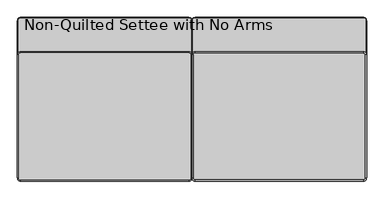
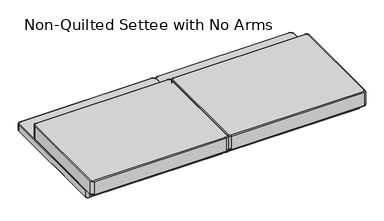
"""IFC4 building model written with IfcOpenShell, lengths in millimetres: furniture geometry, Non-Quilted Settee with No Arms."""

from ifc_helpers import new_model, si_unit, point, frame, origin, place, context, project, spatial, circle_curve, ellipse_curve, trimmed, source, transform, mapped, element, save
from ifc_brep_helpers import plane_surface, cylinder_surface, revolved_surface, advanced_brep


def non_quilted_settee_with_no_arms_4f7d1672(model_context):
    return source(origin(), model_context, "Body", "AdvancedBrep", [
        advanced_brep(
        [(12.7, -355.1331438, 430.5469182), (12.7, -355.1331438, 365.5390691), (12.7, -355.1331438, 359.9782461), (698.5011385, -355.1331438, 359.9782461), (698.5011385, -355.1331438, 365.5390691), (698.5011385, -355.1331438, 430.5469182), (698.5011385, -350.5226845, 435.1573776), (12.7, -350.5226845, 435.1573776), (711.2011385, -342.4331438, 430.5469182), (711.2011385, -342.4331438, 365.5390691), (711.2011385, -342.4331438, 359.9782461), (711.2011385, 158.750436, 359.9782461), (711.2011385, 158.750436, 365.5390691), (711.2011385, 158.750436, 430.5469182), (706.5906792, 158.750436, 435.1573776), (706.5906792, -342.4331438, 435.1573776), (698.5011385, 171.450436, 430.5469182), (698.5011385, 171.450436, 365.5390691), (698.5011385, 171.450436, 359.9782461), (12.7, 171.450436, 359.9782461), (12.7, 171.450436, 365.5390691), (12.7, 171.450436, 430.5469182), (12.7, 166.8399767, 435.1573776), (698.5011385, 166.8399767, 435.1573776), (0.0, 158.750436, 430.5469182), (0.0, 158.750436, 365.5390691), (0.0, 158.750436, 359.9782461), (0.0, -342.4331438, 359.9782461), (0.0, -342.4331438, 365.5390691), (0.0, -342.4331438, 430.5469182), (4.6104593, -342.4331438, 435.1573776), (4.6104593, 158.750436, 435.1573776), (4.6104593, -342.4331438, 355.3677867), (12.7, -350.5226845, 355.3677867), (698.5011385, -350.5226845, 355.3677867), (706.5906792, -342.4331438, 355.3677867), (706.5906792, 158.750436, 355.3677867), (698.5011385, 166.8399767, 355.3677867), (12.7, 166.8399767, 355.3677867), (4.6104593, 158.750436, 355.3677867)],
        [
            (0, 1),
            (1, 2),
            (2, 3),
            (3, 4),
            (4, 5),
            (5, 0),
            (5, 6, circle_curve(frame((698.5011385, -350.5226845, 430.5469182), z_axis=(-1.0, 0.0, 0.0), x_axis=(0.0, 1.0, 0.0)), 4.6104593)),
            (6, 7),
            (7, 0, circle_curve(frame((12.7, -350.5226845, 430.5469182), z_axis=(1.0, 0.0, 0.0), x_axis=(0.0, 1.0, 0.0)), 4.6104593)),
            (8, 9),
            (9, 10),
            (10, 11),
            (11, 12),
            (12, 13),
            (13, 8),
            (13, 14, circle_curve(frame((706.5906792, 158.750436, 430.5469182), z_axis=(0.0, -1.0, 0.0), x_axis=(-1.0, 0.0, 0.0)), 4.6104593)),
            (14, 15),
            (15, 8, circle_curve(frame((706.5906792, -342.4331438, 430.5469182), z_axis=(0.0, 1.0, 0.0), x_axis=(-1.0, 0.0, 0.0)), 4.6104593)),
            (16, 17),
            (17, 18),
            (18, 19),
            (19, 20),
            (20, 21),
            (21, 16),
            (21, 22, circle_curve(frame((12.7, 166.8399767, 430.5469182), z_axis=(1.0, 0.0, 0.0), x_axis=(0.0, -1.0, 0.0)), 4.6104593)),
            (22, 23),
            (23, 16, circle_curve(frame((698.5011385, 166.8399767, 430.5469182), z_axis=(-1.0, 0.0, 0.0), x_axis=(0.0, -1.0, 0.0)), 4.6104593)),
            (24, 25),
            (25, 26),
            (26, 27),
            (27, 28),
            (28, 29),
            (29, 24),
            (29, 30, circle_curve(frame((4.6104593, -342.4331438, 430.5469182), z_axis=(0.0, 1.0, 0.0), x_axis=(1.0, 0.0, 0.0)), 4.6104593)),
            (30, 31),
            (31, 24, circle_curve(frame((4.6104593, 158.750436, 430.5469182), z_axis=(0.0, -1.0, 0.0), x_axis=(1.0, 0.0, 0.0)), 4.6104593)),
            (0, 29, circle_curve(frame((12.7, -342.4331438, 430.5469182), z_axis=(0.0, 0.0, -1.0), x_axis=(-1.0, 0.0, 0.0)), 12.7)),
            (28, 1, circle_curve(frame((12.7, -342.4331438, 365.5390691), z_axis=(0.0, 0.0, 1.0), x_axis=(-1.0, 0.0, 0.0)), 12.7)),
            (7, 30, circle_curve(frame((12.7, -342.4331438, 435.1573776), z_axis=(0.0, 0.0, -1.0), x_axis=(-1.0, 0.0, 0.0)), 8.0895407)),
            (4, 9, circle_curve(frame((698.5011385, -342.4331438, 365.5390691), z_axis=(0.0, 0.0, 1.0), x_axis=(0.0, -1.0, 0.0)), 12.7)),
            (8, 5, circle_curve(frame((698.5011385, -342.4331438, 430.5469182), z_axis=(0.0, 0.0, -1.0), x_axis=(0.0, -1.0, 0.0)), 12.7)),
            (15, 6, circle_curve(frame((698.5011385, -342.4331438, 435.1573776), z_axis=(0.0, 0.0, -1.0), x_axis=(0.0, -1.0, 0.0)), 8.0895407)),
            (12, 17, circle_curve(frame((698.5011385, 158.750436, 365.5390691), z_axis=(0.0, 0.0, 1.0), x_axis=(1.0, 0.0, 0.0)), 12.7)),
            (16, 13, circle_curve(frame((698.5011385, 158.750436, 430.5469182), z_axis=(0.0, 0.0, -1.0), x_axis=(1.0, 0.0, 0.0)), 12.7)),
            (23, 14, circle_curve(frame((698.5011385, 158.750436, 435.1573776), z_axis=(0.0, 0.0, -1.0), x_axis=(1.0, 0.0, 0.0)), 8.0895407)),
            (20, 25, circle_curve(frame((12.7, 158.750436, 365.5390691), z_axis=(0.0, 0.0, 1.0), x_axis=(0.0, 1.0, 0.0)), 12.7)),
            (24, 21, circle_curve(frame((12.7, 158.750436, 430.5469182), z_axis=(0.0, 0.0, -1.0), x_axis=(0.0, 1.0, 0.0)), 12.7)),
            (22, 31, circle_curve(frame((12.7, 158.750436, 435.1573776), z_axis=(0.0, 0.0, 1.0), x_axis=(0.0, 1.0, 0.0)), 8.0895407)),
            (27, 2, circle_curve(frame((12.7, -342.4331438, 359.9782461), z_axis=(0.0, 0.0, 1.0), x_axis=(-1.0, 0.0, 0.0)), 12.7)),
            (27, 32, circle_curve(frame((4.6104593, -342.4331438, 359.9782461), z_axis=(0.0, -1.0, 0.0), x_axis=(1.0, 0.0, 0.0)), 4.6104593)),
            (32, 33, circle_curve(frame((12.7, -342.4331438, 355.3677867), z_axis=(0.0, 0.0, 1.0), x_axis=(-1.0, 0.0, 0.0)), 8.0895407)),
            (33, 2, circle_curve(frame((12.7, -350.5226845, 359.9782461), z_axis=(-1.0, 0.0, 0.0), x_axis=(0.0, 1.0, 0.0)), 4.6104593)),
            (33, 34),
            (34, 3, circle_curve(frame((698.5011385, -350.5226845, 359.9782461), z_axis=(-1.0, 0.0, 0.0), x_axis=(0.0, 1.0, 0.0)), 4.6104593)),
            (3, 10, circle_curve(frame((698.5011385, -342.4331438, 359.9782461), z_axis=(0.0, 0.0, 1.0), x_axis=(0.0, -1.0, 0.0)), 12.7)),
            (34, 35, circle_curve(frame((698.5011385, -342.4331438, 355.3677867), z_axis=(0.0, 0.0, 1.0), x_axis=(0.0, -1.0, 0.0)), 8.0895407)),
            (35, 10, circle_curve(frame((706.5906792, -342.4331438, 359.9782461), z_axis=(0.0, -1.0, 0.0), x_axis=(-1.0, 0.0, 0.0)), 4.6104593)),
            (35, 36),
            (36, 11, circle_curve(frame((706.5906792, 158.750436, 359.9782461), z_axis=(0.0, -1.0, 0.0), x_axis=(-1.0, 0.0, 0.0)), 4.6104593)),
            (11, 18, circle_curve(frame((698.5011385, 158.750436, 359.9782461), z_axis=(0.0, 0.0, 1.0), x_axis=(1.0, 0.0, 0.0)), 12.7)),
            (36, 37, circle_curve(frame((698.5011385, 158.750436, 355.3677867), z_axis=(0.0, 0.0, 1.0), x_axis=(1.0, 0.0, 0.0)), 8.0895407)),
            (37, 18, circle_curve(frame((698.5011385, 166.8399767, 359.9782461), z_axis=(1.0, 0.0, 0.0), x_axis=(0.0, -1.0, 0.0)), 4.6104593)),
            (37, 38),
            (38, 19, circle_curve(frame((12.7, 166.8399767, 359.9782461), z_axis=(1.0, 0.0, 0.0), x_axis=(0.0, -1.0, 0.0)), 4.6104593)),
            (19, 26, circle_curve(frame((12.7, 158.750436, 359.9782461), z_axis=(0.0, 0.0, 1.0), x_axis=(0.0, 1.0, 0.0)), 12.7)),
            (38, 39, circle_curve(frame((12.7, 158.750436, 355.3677867), z_axis=(0.0, 0.0, 1.0), x_axis=(0.0, 1.0, 0.0)), 8.0895407)),
            (39, 26, circle_curve(frame((4.6104593, 158.750436, 359.9782461), z_axis=(0.0, 1.0, 0.0), x_axis=(1.0, 0.0, 0.0)), 4.6104593)),
            (39, 32),
        ],
        [
            plane_surface(frame((12.7, -355.1331438, 365.5390691), z_axis=(0.0, -1.0, 0.0), x_axis=(1.0, 0.0, 0.0))),
            cylinder_surface(frame((12.7, -350.5226845, 430.5469182), z_axis=(-1.0, 0.0, 0.0), x_axis=(0.0, 1.0, 0.0)), 4.6104593),
            plane_surface(frame((711.2011385, -342.4331438, 365.5390691), z_axis=(1.0, 0.0, 0.0), x_axis=(0.0, 1.0, 0.0))),
            cylinder_surface(frame((706.5906792, -342.4331438, 430.5469182), z_axis=(0.0, -1.0, 0.0), x_axis=(-1.0, 0.0, 0.0)), 4.6104593),
            plane_surface(frame((698.5011385, 171.450436, 365.5390691), z_axis=(0.0, 1.0, 0.0), x_axis=(-1.0, 0.0, 0.0))),
            cylinder_surface(frame((698.5011385, 166.8399767, 430.5469182), z_axis=(1.0, 0.0, 0.0), x_axis=(0.0, -1.0, 0.0)), 4.6104593),
            plane_surface(frame((0.0, 158.750436, 365.5390691), z_axis=(-1.0, 0.0, 0.0), x_axis=(0.0, -1.0, 0.0))),
            cylinder_surface(frame((4.6104593, 158.750436, 430.5469182), z_axis=(0.0, 1.0, 0.0), x_axis=(1.0, 0.0, 0.0)), 4.6104593),
            cylinder_surface(frame((12.7, -342.4331438, 0.0), z_axis=(0.0, 0.0, 1.0), x_axis=(-1.0, 0.0, 0.0)), 12.7),
            revolved_surface(trimmed(ellipse_curve(frame((4.6104593, -342.4331438, 430.5469182), z_axis=(0.0, 1.0, 0.0), x_axis=(1.0, 0.0, 0.0)), 4.6104593, 4.6104593), [point((0.0, -342.4331438, 430.5469182))], [point((4.6104593, -342.4331438, 435.1573776))], True, "CARTESIAN"), (12.7, -342.4331438, 0.0), (0.0, 0.0, 1.0)),
            cylinder_surface(frame((698.5011385, -342.4331438, 0.0), z_axis=(0.0, 0.0, 1.0), x_axis=(0.0, -1.0, 0.0)), 12.7),
            revolved_surface(trimmed(ellipse_curve(frame((698.5011385, -350.5226845, 430.5469182), z_axis=(-1.0, 0.0, 0.0), x_axis=(0.0, 1.0, 0.0)), 4.6104593, 4.6104593), [point((698.5011385, -355.1331438, 430.5469182))], [point((698.5011385, -350.5226845, 435.1573776))], True, "CARTESIAN"), (698.5011385, -342.4331438, 0.0), (0.0, 0.0, 1.0)),
            cylinder_surface(frame((698.5011385, 158.750436, 0.0), z_axis=(0.0, 0.0, 1.0), x_axis=(1.0, 0.0, 0.0)), 12.7),
            revolved_surface(trimmed(ellipse_curve(frame((706.5906792, 158.750436, 430.5469182), z_axis=(0.0, -1.0, 0.0), x_axis=(-1.0, 0.0, 0.0)), 4.6104593, 4.6104593), [point((711.2011385, 158.750436, 430.5469182))], [point((706.5906792, 158.750436, 435.1573776))], True, "CARTESIAN"), (698.5011385, 158.750436, 0.0), (0.0, 0.0, 1.0)),
            cylinder_surface(frame((12.7, 158.750436, 0.0), z_axis=(0.0, 0.0, 1.0), x_axis=(0.0, 1.0, 0.0)), 12.7),
            plane_surface(frame((12.7, 158.750436, 435.1573776), z_axis=(0.0, 0.0, 1.0), x_axis=(0.0, 1.0, 0.0))),
            revolved_surface(trimmed(ellipse_curve(frame((12.7, 166.8399767, 430.5469182), z_axis=(1.0, 0.0, 0.0), x_axis=(0.0, -1.0, 0.0)), 4.6104593, 4.6104593), [point((12.7, 171.450436, 430.5469182))], [point((12.7, 166.8399767, 435.1573776))], True, "CARTESIAN"), (12.7, 158.750436, 0.0), (0.0, 0.0, 1.0)),
            revolved_surface(trimmed(ellipse_curve(frame((4.6104593, -342.4331438, 359.9782461), z_axis=(0.0, 1.0, 0.0), x_axis=(1.0, 0.0, 0.0)), 4.6104593, 4.6104593), [point((4.6104593, -342.4331438, 355.3677867))], [point((0.0, -342.4331438, 359.9782461))], True, "CARTESIAN"), (12.7, -342.4331438, 0.0), (0.0, 0.0, 1.0)),
            cylinder_surface(frame((12.7, -350.5226845, 359.9782461), z_axis=(-1.0, 0.0, 0.0), x_axis=(0.0, 1.0, 0.0)), 4.6104593),
            revolved_surface(trimmed(ellipse_curve(frame((698.5011385, -350.5226845, 359.9782461), z_axis=(-1.0, 0.0, 0.0), x_axis=(0.0, 1.0, 0.0)), 4.6104593, 4.6104593), [point((698.5011385, -350.5226845, 355.3677867))], [point((698.5011385, -355.1331438, 359.9782461))], True, "CARTESIAN"), (698.5011385, -342.4331438, 0.0), (0.0, 0.0, 1.0)),
            cylinder_surface(frame((706.5906792, -342.4331438, 359.9782461), z_axis=(0.0, -1.0, 0.0), x_axis=(-1.0, 0.0, 0.0)), 4.6104593),
            revolved_surface(trimmed(ellipse_curve(frame((706.5906792, 158.750436, 359.9782461), z_axis=(0.0, -1.0, 0.0), x_axis=(-1.0, 0.0, 0.0)), 4.6104593, 4.6104593), [point((706.5906792, 158.750436, 355.3677867))], [point((711.2011385, 158.750436, 359.9782461))], True, "CARTESIAN"), (698.5011385, 158.750436, 0.0), (0.0, 0.0, 1.0)),
            cylinder_surface(frame((698.5011385, 166.8399767, 359.9782461), z_axis=(1.0, 0.0, 0.0), x_axis=(0.0, -1.0, 0.0)), 4.6104593),
            revolved_surface(trimmed(ellipse_curve(frame((12.7, 166.8399767, 359.9782461), z_axis=(1.0, 0.0, 0.0), x_axis=(0.0, -1.0, 0.0)), 4.6104593, 4.6104593), [point((12.7, 166.8399767, 355.3677867))], [point((12.7, 171.450436, 359.9782461))], True, "CARTESIAN"), (12.7, 158.750436, 0.0), (0.0, 0.0, 1.0)),
            cylinder_surface(frame((4.6104593, 158.750436, 359.9782461), z_axis=(0.0, 1.0, 0.0), x_axis=(1.0, 0.0, 0.0)), 4.6104593),
            plane_surface(frame((7.2194182, 158.750436, 355.3677867), z_axis=(0.0, 0.0, -1.0), x_axis=(0.0, -1.0, 0.0))),
        ],
        [
            (0, [[1, 2, 3, 4, 5, 6]]),
            (1, [[-6, 7, 8, 9]]),
            (2, [[10, 11, 12, 13, 14, 15]]),
            (3, [[-15, 16, 17, 18]]),
            (4, [[19, 20, 21, 22, 23, 24]]),
            (5, [[-24, 25, 26, 27]]),
            (6, [[28, 29, 30, 31, 32, 33]]),
            (7, [[-33, 34, 35, 36]]),
            (8, [[-1, 37, -32, 38]]),
            (9, [[-9, 39, -34, -37]]),
            (10, [[-5, 40, -10, 41]]),
            (11, [[-7, -41, -18, 42]]),
            (12, [[-14, 43, -19, 44]]),
            (13, [[-16, -44, -27, 45]]),
            (14, [[-23, 46, -28, 47]]),
            (15, [[-8, -42, -17, -45, -26, 48, -35, -39]]),
            (16, [[-25, -47, -36, -48]]),
            (8, [[-2, -38, -31, 49]]),
            (17, [[-49, 50, 51, 52]]),
            (18, [[-3, -52, 53, 54]]),
            (10, [[-4, 55, -11, -40]]),
            (19, [[-54, 56, 57, -55]]),
            (20, [[-12, -57, 58, 59]]),
            (12, [[-13, 60, -20, -43]]),
            (21, [[-59, 61, 62, -60]]),
            (22, [[-21, -62, 63, 64]]),
            (14, [[-22, 65, -29, -46]]),
            (23, [[-64, 66, 67, -65]]),
            (24, [[-30, -67, 68, -50]]),
            (25, [[-51, -68, -66, -63, -61, -58, -56, -53]]),
        ],
    ),
        advanced_brep(
        [(-710.1119852, 298.9168441, 355.5999879), (-698.5011385, 310.5276908, 355.5999879), (-698.5011385, 311.6168441, 354.5108346), (-711.2011385, 298.9168441, 354.5108346), (-711.2011385, -297.9831438, 354.5108346), (-710.1119852, -297.9831438, 355.5999879), (-698.5011385, -310.6831438, 354.5108346), (-698.5011385, -309.5939905, 355.5999879), (-12.7, -310.6831438, 354.5108346), (-12.7, -309.5939905, 355.5999879), (0.0, -297.9831438, 354.5108346), (-1.0891533, -297.9831438, 355.5999879), (0.0, 298.9168441, 354.5108346), (-1.0891533, 298.9168441, 355.5999879), (-12.7, 311.6168441, 354.5108346), (-12.7, 310.5276908, 355.5999879), (-698.5011385, 311.6168441, 318.5891775), (-711.2011385, 298.9168441, 318.5891775), (-698.5011385, 310.5276908, 317.5000242), (-710.1119852, 298.9168441, 317.5000242), (-711.2011385, -297.9831438, 318.5891775), (-710.1119852, -297.9831438, 317.5000242), (-698.5011385, -310.6831438, 318.5891775), (-698.5011385, -309.5939905, 317.5000242), (-12.7, -310.6831438, 318.5891775), (-12.7, -309.5939905, 317.5000242), (0.0, -297.9831438, 318.5891775), (-1.0891533, -297.9831438, 317.5000242), (0.0, 298.9168441, 318.5891775), (-1.0891533, 298.9168441, 317.5000242), (-12.7, 311.6168441, 318.5891775), (-12.7, 310.5276908, 317.5000242)],
        [
            (0, 1, circle_curve(frame((-698.5011385, 298.9168441, 355.5999879), z_axis=(0.0, 0.0, -1.0), x_axis=(0.0, 1.0, 0.0)), 11.6108467)),
            (1, 2, circle_curve(frame((-698.5011385, 310.5276908, 354.5108346), z_axis=(-1.0, 0.0, 0.0), x_axis=(0.0, -1.0, 0.0)), 1.0891533)),
            (2, 3, circle_curve(frame((-698.5011385, 298.9168441, 354.5108346), z_axis=(0.0, 0.0, 1.0), x_axis=(0.0, 1.0, 0.0)), 12.7)),
            (3, 0, circle_curve(frame((-710.1119852, 298.9168441, 354.5108346), z_axis=(0.0, 1.0, 0.0), x_axis=(1.0, 0.0, 0.0)), 1.0891533)),
            (3, 4),
            (4, 5, circle_curve(frame((-710.1119852, -297.9831438, 354.5108346), z_axis=(0.0, 1.0, 0.0), x_axis=(1.0, 0.0, 0.0)), 1.0891533)),
            (5, 0),
            (4, 6, circle_curve(frame((-698.5011385, -297.9831438, 354.5108346), z_axis=(0.0, 0.0, 1.0), x_axis=(-1.0, 0.0, 0.0)), 12.7)),
            (6, 7, circle_curve(frame((-698.5011385, -309.5939905, 354.5108346), z_axis=(-1.0, 0.0, 0.0), x_axis=(0.0, 1.0, 0.0)), 1.0891533)),
            (7, 5, circle_curve(frame((-698.5011385, -297.9831438, 355.5999879), z_axis=(0.0, 0.0, -1.0), x_axis=(-1.0, 0.0, 0.0)), 11.6108467)),
            (6, 8),
            (8, 9, circle_curve(frame((-12.7, -309.5939905, 354.5108346), z_axis=(-1.0, 0.0, 0.0), x_axis=(0.0, 1.0, 0.0)), 1.0891533)),
            (9, 7),
            (8, 10, circle_curve(frame((-12.7, -297.9831438, 354.5108346), z_axis=(0.0, 0.0, 1.0), x_axis=(0.0, -1.0, 0.0)), 12.7)),
            (10, 11, circle_curve(frame((-1.0891533, -297.9831438, 354.5108346), z_axis=(0.0, -1.0, 0.0), x_axis=(-1.0, 0.0, 0.0)), 1.0891533)),
            (11, 9, circle_curve(frame((-12.7, -297.9831438, 355.5999879), z_axis=(0.0, 0.0, -1.0), x_axis=(0.0, -1.0, 0.0)), 11.6108467)),
            (10, 12),
            (12, 13, circle_curve(frame((-1.0891533, 298.9168441, 354.5108346), z_axis=(0.0, -1.0, 0.0), x_axis=(-1.0, 0.0, 0.0)), 1.0891533)),
            (13, 11),
            (12, 14, circle_curve(frame((-12.7, 298.9168441, 354.5108346), z_axis=(0.0, 0.0, 1.0), x_axis=(1.0, 0.0, 0.0)), 12.7)),
            (14, 15, circle_curve(frame((-12.7, 310.5276908, 354.5108346), z_axis=(1.0, 0.0, 0.0), x_axis=(0.0, -1.0, 0.0)), 1.0891533)),
            (15, 13, circle_curve(frame((-12.7, 298.9168441, 355.5999879), z_axis=(0.0, 0.0, -1.0), x_axis=(1.0, 0.0, 0.0)), 11.6108467)),
            (1, 15),
            (14, 2),
            (2, 16),
            (16, 17, circle_curve(frame((-698.5011385, 298.9168441, 318.5891775), z_axis=(0.0, 0.0, 1.0), x_axis=(0.0, 1.0, 0.0)), 12.7)),
            (17, 3),
            (16, 18, circle_curve(frame((-698.5011385, 310.5276908, 318.5891775), z_axis=(-1.0, 0.0, 0.0), x_axis=(0.0, -1.0, 0.0)), 1.0891533)),
            (18, 19, circle_curve(frame((-698.5011385, 298.9168441, 317.5000242), z_axis=(0.0, 0.0, 1.0), x_axis=(0.0, 1.0, 0.0)), 11.6108467)),
            (19, 17, circle_curve(frame((-710.1119852, 298.9168441, 318.5891775), z_axis=(0.0, 1.0, 0.0), x_axis=(1.0, 0.0, 0.0)), 1.0891533)),
            (17, 20),
            (20, 4),
            (19, 21),
            (21, 20, circle_curve(frame((-710.1119852, -297.9831438, 318.5891775), z_axis=(0.0, 1.0, 0.0), x_axis=(1.0, 0.0, 0.0)), 1.0891533)),
            (20, 22, circle_curve(frame((-698.5011385, -297.9831438, 318.5891775), z_axis=(0.0, 0.0, 1.0), x_axis=(-1.0, 0.0, 0.0)), 12.7)),
            (22, 6),
            (21, 23, circle_curve(frame((-698.5011385, -297.9831438, 317.5000242), z_axis=(0.0, 0.0, 1.0), x_axis=(-1.0, 0.0, 0.0)), 11.6108467)),
            (23, 22, circle_curve(frame((-698.5011385, -309.5939905, 318.5891775), z_axis=(-1.0, 0.0, 0.0), x_axis=(0.0, 1.0, 0.0)), 1.0891533)),
            (22, 24),
            (24, 8),
            (23, 25),
            (25, 24, circle_curve(frame((-12.7, -309.5939905, 318.5891775), z_axis=(-1.0, 0.0, 0.0), x_axis=(0.0, 1.0, 0.0)), 1.0891533)),
            (24, 26, circle_curve(frame((-12.7, -297.9831438, 318.5891775), z_axis=(0.0, 0.0, 1.0), x_axis=(0.0, -1.0, 0.0)), 12.7)),
            (26, 10),
            (25, 27, circle_curve(frame((-12.7, -297.9831438, 317.5000242), z_axis=(0.0, 0.0, 1.0), x_axis=(0.0, -1.0, 0.0)), 11.6108467)),
            (27, 26, circle_curve(frame((-1.0891533, -297.9831438, 318.5891775), z_axis=(0.0, -1.0, 0.0), x_axis=(-1.0, 0.0, 0.0)), 1.0891533)),
            (26, 28),
            (28, 12),
            (27, 29),
            (29, 28, circle_curve(frame((-1.0891533, 298.9168441, 318.5891775), z_axis=(0.0, -1.0, 0.0), x_axis=(-1.0, 0.0, 0.0)), 1.0891533)),
            (28, 30, circle_curve(frame((-12.7, 298.9168441, 318.5891775), z_axis=(0.0, 0.0, 1.0), x_axis=(1.0, 0.0, 0.0)), 12.7)),
            (30, 14),
            (29, 31, circle_curve(frame((-12.7, 298.9168441, 317.5000242), z_axis=(0.0, 0.0, 1.0), x_axis=(1.0, 0.0, 0.0)), 11.6108467)),
            (31, 30, circle_curve(frame((-12.7, 310.5276908, 318.5891775), z_axis=(1.0, 0.0, 0.0), x_axis=(0.0, -1.0, 0.0)), 1.0891533)),
            (30, 16),
            (18, 31),
        ],
        [
            revolved_surface(trimmed(ellipse_curve(frame((-698.5011385, 310.5276908, 354.5108346), z_axis=(1.0, 0.0, 0.0), x_axis=(0.0, -1.0, 0.0)), 1.0891533, 1.0891533), [point((-698.5011385, 311.6168441, 354.5108346))], [point((-698.5011385, 310.5276908, 355.5999879))], True, "CARTESIAN"), (-698.5011385, 298.9168441, 352.425), (0.0, 0.0, 1.0)),
            cylinder_surface(frame((-710.1119852, 298.9168441, 354.5108346), z_axis=(0.0, 1.0, 0.0), x_axis=(1.0, 0.0, 0.0)), 1.0891533),
            revolved_surface(trimmed(ellipse_curve(frame((-710.1119852, -297.9831438, 354.5108346), z_axis=(0.0, 1.0, 0.0), x_axis=(1.0, 0.0, 0.0)), 1.0891533, 1.0891533), [point((-711.2011385, -297.9831438, 354.5108346))], [point((-710.1119852, -297.9831438, 355.5999879))], True, "CARTESIAN"), (-698.5011385, -297.9831438, 352.425), (0.0, 0.0, 1.0)),
            cylinder_surface(frame((-698.5011385, -309.5939905, 354.5108346), z_axis=(-1.0, 0.0, 0.0), x_axis=(0.0, 1.0, 0.0)), 1.0891533),
            revolved_surface(trimmed(ellipse_curve(frame((-12.7, -309.5939905, 354.5108346), z_axis=(-1.0, 0.0, 0.0), x_axis=(0.0, 1.0, 0.0)), 1.0891533, 1.0891533), [point((-12.7, -310.6831438, 354.5108346))], [point((-12.7, -309.5939905, 355.5999879))], True, "CARTESIAN"), (-12.7, -297.9831438, 352.425), (0.0, 0.0, 1.0)),
            cylinder_surface(frame((-1.0891533, -297.9831438, 354.5108346), z_axis=(0.0, -1.0, 0.0), x_axis=(-1.0, 0.0, 0.0)), 1.0891533),
            revolved_surface(trimmed(ellipse_curve(frame((-1.0891533, 298.9168441, 354.5108346), z_axis=(0.0, -1.0, 0.0), x_axis=(-1.0, 0.0, 0.0)), 1.0891533, 1.0891533), [point((0.0, 298.9168441, 354.5108346))], [point((-1.0891533, 298.9168441, 355.5999879))], True, "CARTESIAN"), (-12.7, 298.9168441, 352.425), (0.0, 0.0, 1.0)),
            cylinder_surface(frame((-12.7, 310.5276908, 354.5108346), z_axis=(1.0, 0.0, 0.0), x_axis=(0.0, -1.0, 0.0)), 1.0891533),
            plane_surface(frame((-12.7, 310.5276908, 355.5999879), z_axis=(0.0, 0.0, 1.0), x_axis=(-1.0, 0.0, 0.0))),
            cylinder_surface(frame((-698.5011385, 298.9168441, 352.425), z_axis=(0.0, 0.0, 1.0), x_axis=(0.0, 1.0, 0.0)), 12.7),
            revolved_surface(trimmed(ellipse_curve(frame((-698.5011385, 310.5276908, 318.5891775), z_axis=(1.0, 0.0, 0.0), x_axis=(0.0, -1.0, 0.0)), 1.0891533, 1.0891533), [point((-698.5011385, 310.5276908, 317.5000242))], [point((-698.5011385, 311.6168441, 318.5891775))], True, "CARTESIAN"), (-698.5011385, 298.9168441, 352.425), (0.0, 0.0, 1.0)),
            plane_surface(frame((-711.2011385, 298.9168441, 318.5891775), z_axis=(-1.0, 0.0, 0.0), x_axis=(0.0, -1.0, 0.0))),
            cylinder_surface(frame((-710.1119852, 298.9168441, 318.5891775), z_axis=(0.0, 1.0, 0.0), x_axis=(1.0, 0.0, 0.0)), 1.0891533),
            cylinder_surface(frame((-698.5011385, -297.9831438, 352.425), z_axis=(0.0, 0.0, 1.0), x_axis=(-1.0, 0.0, 0.0)), 12.7),
            revolved_surface(trimmed(ellipse_curve(frame((-710.1119852, -297.9831438, 318.5891775), z_axis=(0.0, 1.0, 0.0), x_axis=(1.0, 0.0, 0.0)), 1.0891533, 1.0891533), [point((-710.1119852, -297.9831438, 317.5000242))], [point((-711.2011385, -297.9831438, 318.5891775))], True, "CARTESIAN"), (-698.5011385, -297.9831438, 352.425), (0.0, 0.0, 1.0)),
            plane_surface(frame((-698.5011385, -310.6831438, 318.5891775), z_axis=(0.0, -1.0, 0.0), x_axis=(1.0, 0.0, 0.0))),
            cylinder_surface(frame((-698.5011385, -309.5939905, 318.5891775), z_axis=(-1.0, 0.0, 0.0), x_axis=(0.0, 1.0, 0.0)), 1.0891533),
            cylinder_surface(frame((-12.7, -297.9831438, 352.425), z_axis=(0.0, 0.0, 1.0), x_axis=(0.0, -1.0, 0.0)), 12.7),
            revolved_surface(trimmed(ellipse_curve(frame((-12.7, -309.5939905, 318.5891775), z_axis=(-1.0, 0.0, 0.0), x_axis=(0.0, 1.0, 0.0)), 1.0891533, 1.0891533), [point((-12.7, -309.5939905, 317.5000242))], [point((-12.7, -310.6831438, 318.5891775))], True, "CARTESIAN"), (-12.7, -297.9831438, 352.425), (0.0, 0.0, 1.0)),
            plane_surface(frame((0.0, -297.9831438, 318.5891775), z_axis=(1.0, 0.0, 0.0), x_axis=(0.0, 1.0, 0.0))),
            cylinder_surface(frame((-1.0891533, -297.9831438, 318.5891775), z_axis=(0.0, -1.0, 0.0), x_axis=(-1.0, 0.0, 0.0)), 1.0891533),
            cylinder_surface(frame((-12.7, 298.9168441, 352.425), z_axis=(0.0, 0.0, 1.0), x_axis=(1.0, 0.0, 0.0)), 12.7),
            revolved_surface(trimmed(ellipse_curve(frame((-1.0891533, 298.9168441, 318.5891775), z_axis=(0.0, -1.0, 0.0), x_axis=(-1.0, 0.0, 0.0)), 1.0891533, 1.0891533), [point((-1.0891533, 298.9168441, 317.5000242))], [point((0.0, 298.9168441, 318.5891775))], True, "CARTESIAN"), (-12.7, 298.9168441, 352.425), (0.0, 0.0, 1.0)),
            plane_surface(frame((-12.7, 311.6168441, 318.5891775), z_axis=(0.0, 1.0, 0.0), x_axis=(-1.0, 0.0, 0.0))),
            plane_surface(frame((-12.7, 309.012361, 317.5000242), z_axis=(0.0, 0.0, -1.0), x_axis=(-1.0, 0.0, 0.0))),
            cylinder_surface(frame((-12.7, 310.5276908, 318.5891775), z_axis=(1.0, 0.0, 0.0), x_axis=(0.0, -1.0, 0.0)), 1.0891533),
        ],
        [
            (0, [[1, 2, 3, 4]]),
            (1, [[-4, 5, 6, 7]]),
            (2, [[-6, 8, 9, 10]]),
            (3, [[-9, 11, 12, 13]]),
            (4, [[-12, 14, 15, 16]]),
            (5, [[-15, 17, 18, 19]]),
            (6, [[-18, 20, 21, 22]]),
            (7, [[-2, 23, -21, 24]]),
            (8, [[-1, -7, -10, -13, -16, -19, -22, -23]]),
            (9, [[-3, 25, 26, 27]]),
            (10, [[-26, 28, 29, 30]]),
            (11, [[-5, -27, 31, 32]]),
            (12, [[-30, 33, 34, -31]]),
            (13, [[-8, -32, 35, 36]]),
            (14, [[-34, 37, 38, -35]]),
            (15, [[-11, -36, 39, 40]]),
            (16, [[-38, 41, 42, -39]]),
            (17, [[-14, -40, 43, 44]]),
            (18, [[-42, 45, 46, -43]]),
            (19, [[-17, -44, 47, 48]]),
            (20, [[-46, 49, 50, -47]]),
            (21, [[-20, -48, 51, 52]]),
            (22, [[-50, 53, 54, -51]]),
            (23, [[-24, -52, 55, -25]]),
            (24, [[-29, 56, -53, -49, -45, -41, -37, -33]]),
            (25, [[-28, -55, -54, -56]]),
        ],
    ),
        advanced_brep(
        [(710.1119852, 298.9168441, 355.5999879), (698.5011385, 310.5276908, 355.5999879), (12.7, 310.5276908, 355.5999879), (1.0891533, 298.9168441, 355.5999879), (1.0891533, -297.9831438, 355.5999879), (12.7, -309.5939905, 355.5999879), (698.5011385, -309.5939905, 355.5999879), (710.1119852, -297.9831438, 355.5999879), (698.5011385, 310.5276908, 317.4999879), (710.1119852, 298.9168441, 317.4999879), (710.1119852, -297.9831438, 317.4999879), (698.5011385, -309.5939905, 317.4999879), (12.7, -309.5939905, 317.4999879), (1.0891533, -297.9831438, 317.4999879), (1.0891533, 298.9168441, 317.4999879), (12.7, 310.5276908, 317.4999879), (711.2011385, 298.9168441, 354.5108346), (698.5011385, 311.6168441, 354.5108346), (711.2011385, -297.9831438, 354.5108346), (698.5011385, -310.6831438, 354.5108346), (12.7, -310.6831438, 354.5108346), (0.0, -297.9831438, 354.5108346), (0.0, 298.9168441, 354.5108346), (12.7, 311.6168441, 354.5108346), (711.2011385, 298.9168441, 318.5891775), (698.5011385, 311.6168441, 318.5891775), (711.2011385, -297.9831438, 318.5891775), (698.5011385, -310.6831438, 318.5891775), (12.7, -310.6831438, 318.5891775), (0.0, -297.9831438, 318.5891775), (0.0, 298.9168441, 318.5891775), (12.7, 311.6168441, 318.5891775)],
        [
            (0, 1, circle_curve(frame((698.5011385, 298.9168441, 355.5999879), z_axis=(0.0, 0.0, 1.0), x_axis=(0.0, 1.0, 0.0)), 11.6108467)),
            (1, 2),
            (2, 3, circle_curve(frame((12.7, 298.9168441, 355.5999879), z_axis=(0.0, 0.0, 1.0), x_axis=(-1.0, 0.0, 0.0)), 11.6108467)),
            (3, 4),
            (4, 5, circle_curve(frame((12.7, -297.9831438, 355.5999879), z_axis=(0.0, 0.0, 1.0), x_axis=(0.0, -1.0, 0.0)), 11.6108467)),
            (5, 6),
            (6, 7, circle_curve(frame((698.5011385, -297.9831438, 355.5999879), z_axis=(0.0, 0.0, 1.0), x_axis=(1.0, 0.0, 0.0)), 11.6108467)),
            (7, 0),
            (8, 9, circle_curve(frame((698.5011385, 298.9168441, 317.4999879), z_axis=(0.0, 0.0, -1.0), x_axis=(0.0, 1.0, 0.0)), 11.6108467)),
            (9, 10),
            (10, 11, circle_curve(frame((698.5011385, -297.9831438, 317.4999879), z_axis=(0.0, 0.0, -1.0), x_axis=(1.0, 0.0, 0.0)), 11.6108467)),
            (11, 12),
            (12, 13, circle_curve(frame((12.7, -297.9831438, 317.4999879), z_axis=(0.0, 0.0, -1.0), x_axis=(0.0, -1.0, 0.0)), 11.6108467)),
            (13, 14),
            (14, 15, circle_curve(frame((12.7, 298.9168441, 317.4999879), z_axis=(0.0, 0.0, -1.0), x_axis=(-1.0, 0.0, 0.0)), 11.6108467)),
            (15, 8),
            (16, 17, circle_curve(frame((698.5011385, 298.9168441, 354.5108346), z_axis=(0.0, 0.0, 1.0), x_axis=(0.0, 1.0, 0.0)), 12.7)),
            (17, 1, circle_curve(frame((698.5011385, 310.5276908, 354.5108346), z_axis=(1.0, 0.0, 0.0), x_axis=(0.0, 1.0, 0.0)), 1.0891533)),
            (0, 16, circle_curve(frame((710.1119852, 298.9168441, 354.5108346), z_axis=(0.0, 1.0, 0.0), x_axis=(1.0, 0.0, 0.0)), 1.0891533)),
            (7, 18, circle_curve(frame((710.1119852, -297.9831438, 354.5108346), z_axis=(0.0, 1.0, 0.0), x_axis=(1.0, 0.0, 0.0)), 1.0891533)),
            (18, 16),
            (6, 19, circle_curve(frame((698.5011385, -309.5939905, 354.5108346), z_axis=(1.0, 0.0, 0.0), x_axis=(0.0, -1.0, 0.0)), 1.0891533)),
            (19, 18, circle_curve(frame((698.5011385, -297.9831438, 354.5108346), z_axis=(0.0, 0.0, 1.0), x_axis=(1.0, 0.0, 0.0)), 12.7)),
            (5, 20, circle_curve(frame((12.7, -309.5939905, 354.5108346), z_axis=(1.0, 0.0, 0.0), x_axis=(0.0, -1.0, 0.0)), 1.0891533)),
            (20, 19),
            (4, 21, circle_curve(frame((1.0891533, -297.9831438, 354.5108346), z_axis=(0.0, -1.0, 0.0), x_axis=(-1.0, 0.0, 0.0)), 1.0891533)),
            (21, 20, circle_curve(frame((12.7, -297.9831438, 354.5108346), z_axis=(0.0, 0.0, 1.0), x_axis=(0.0, -1.0, 0.0)), 12.7)),
            (3, 22, circle_curve(frame((1.0891533, 298.9168441, 354.5108346), z_axis=(0.0, -1.0, 0.0), x_axis=(-1.0, 0.0, 0.0)), 1.0891533)),
            (22, 21),
            (2, 23, circle_curve(frame((12.7, 310.5276908, 354.5108346), z_axis=(-1.0, 0.0, 0.0), x_axis=(0.0, 1.0, 0.0)), 1.0891533)),
            (23, 22, circle_curve(frame((12.7, 298.9168441, 354.5108346), z_axis=(0.0, 0.0, 1.0), x_axis=(-1.0, 0.0, 0.0)), 12.7)),
            (17, 23),
            (16, 24),
            (24, 25, circle_curve(frame((698.5011385, 298.9168441, 318.5891775), z_axis=(0.0, 0.0, 1.0), x_axis=(0.0, 1.0, 0.0)), 12.7)),
            (25, 17),
            (24, 9, circle_curve(frame((710.1119852, 298.9168441, 318.5891775), z_axis=(0.0, 1.0, 0.0), x_axis=(1.0, 0.0, 0.0)), 1.0891533)),
            (8, 25, circle_curve(frame((698.5011385, 310.5276908, 318.5891775), z_axis=(1.0, 0.0, 0.0), x_axis=(0.0, 1.0, 0.0)), 1.0891533)),
            (18, 26),
            (26, 24),
            (26, 10, circle_curve(frame((710.1119852, -297.9831438, 318.5891775), z_axis=(0.0, 1.0, 0.0), x_axis=(1.0, 0.0, 0.0)), 1.0891533)),
            (19, 27),
            (27, 26, circle_curve(frame((698.5011385, -297.9831438, 318.5891775), z_axis=(0.0, 0.0, 1.0), x_axis=(1.0, 0.0, 0.0)), 12.7)),
            (27, 11, circle_curve(frame((698.5011385, -309.5939905, 318.5891775), z_axis=(1.0, 0.0, 0.0), x_axis=(0.0, -1.0, 0.0)), 1.0891533)),
            (20, 28),
            (28, 27),
            (28, 12, circle_curve(frame((12.7, -309.5939905, 318.5891775), z_axis=(1.0, 0.0, 0.0), x_axis=(0.0, -1.0, 0.0)), 1.0891533)),
            (21, 29),
            (29, 28, circle_curve(frame((12.7, -297.9831438, 318.5891775), z_axis=(0.0, 0.0, 1.0), x_axis=(0.0, -1.0, 0.0)), 12.7)),
            (29, 13, circle_curve(frame((1.0891533, -297.9831438, 318.5891775), z_axis=(0.0, -1.0, 0.0), x_axis=(-1.0, 0.0, 0.0)), 1.0891533)),
            (22, 30),
            (30, 29),
            (30, 14, circle_curve(frame((1.0891533, 298.9168441, 318.5891775), z_axis=(0.0, -1.0, 0.0), x_axis=(-1.0, 0.0, 0.0)), 1.0891533)),
            (23, 31),
            (31, 30, circle_curve(frame((12.7, 298.9168441, 318.5891775), z_axis=(0.0, 0.0, 1.0), x_axis=(-1.0, 0.0, 0.0)), 12.7)),
            (31, 15, circle_curve(frame((12.7, 310.5276908, 318.5891775), z_axis=(-1.0, 0.0, 0.0), x_axis=(0.0, 1.0, 0.0)), 1.0891533)),
            (25, 31),
        ],
        [
            plane_surface(frame((2.6044831, -297.9831438, 355.5999879), z_axis=(0.0, 0.0, 1.0), x_axis=(0.0, -1.0, 0.0))),
            plane_surface(frame((2.6044831, -297.9831438, 317.4999879), z_axis=(0.0, 0.0, -1.0), x_axis=(0.0, 1.0, 0.0))),
            revolved_surface(trimmed(ellipse_curve(frame((698.5011385, 310.5276908, 354.5108346), z_axis=(-1.0, 0.0, 0.0), x_axis=(0.0, 1.0, 0.0)), 1.0891533, 1.0891533), [point((698.5011385, 310.5276908, 355.5999879))], [point((698.5011385, 311.6168441, 354.5108346))], True, "CARTESIAN"), (698.5011385, 298.9168441, 352.425), (0.0, 0.0, -1.0)),
            cylinder_surface(frame((710.1119852, 298.9168441, 354.5108346), z_axis=(0.0, 1.0, 0.0), x_axis=(1.0, 0.0, 0.0)), 1.0891533),
            revolved_surface(trimmed(ellipse_curve(frame((710.1119852, -297.9831438, 354.5108346), z_axis=(0.0, 1.0, 0.0), x_axis=(1.0, 0.0, 0.0)), 1.0891533, 1.0891533), [point((710.1119852, -297.9831438, 355.5999879))], [point((711.2011385, -297.9831438, 354.5108346))], True, "CARTESIAN"), (698.5011385, -297.9831438, 352.425), (0.0, 0.0, -1.0)),
            cylinder_surface(frame((698.5011385, -309.5939905, 354.5108346), z_axis=(1.0, 0.0, 0.0), x_axis=(0.0, -1.0, 0.0)), 1.0891533),
            revolved_surface(trimmed(ellipse_curve(frame((12.7, -309.5939905, 354.5108346), z_axis=(1.0, 0.0, 0.0), x_axis=(0.0, -1.0, 0.0)), 1.0891533, 1.0891533), [point((12.7, -309.5939905, 355.5999879))], [point((12.7, -310.6831438, 354.5108346))], True, "CARTESIAN"), (12.7, -297.9831438, 352.425), (0.0, 0.0, -1.0)),
            cylinder_surface(frame((1.0891533, -297.9831438, 354.5108346), z_axis=(0.0, -1.0, 0.0), x_axis=(-1.0, 0.0, 0.0)), 1.0891533),
            revolved_surface(trimmed(ellipse_curve(frame((1.0891533, 298.9168441, 354.5108346), z_axis=(0.0, -1.0, 0.0), x_axis=(-1.0, 0.0, 0.0)), 1.0891533, 1.0891533), [point((1.0891533, 298.9168441, 355.5999879))], [point((0.0, 298.9168441, 354.5108346))], True, "CARTESIAN"), (12.7, 298.9168441, 352.425), (0.0, 0.0, -1.0)),
            cylinder_surface(frame((12.7, 310.5276908, 354.5108346), z_axis=(-1.0, 0.0, 0.0), x_axis=(0.0, 1.0, 0.0)), 1.0891533),
            cylinder_surface(frame((698.5011385, 298.9168441, 352.425), z_axis=(0.0, 0.0, -1.0), x_axis=(0.0, 1.0, 0.0)), 12.7),
            revolved_surface(trimmed(ellipse_curve(frame((698.5011385, 310.5276908, 318.5891775), z_axis=(-1.0, 0.0, 0.0), x_axis=(0.0, 1.0, 0.0)), 1.0891533, 1.0891533), [point((698.5011385, 311.6168441, 318.5891775))], [point((698.5011385, 310.5276908, 317.5000242))], True, "CARTESIAN"), (698.5011385, 298.9168441, 352.425), (0.0, 0.0, -1.0)),
            plane_surface(frame((711.2011385, 298.9168441, 354.5108346), z_axis=(1.0, 0.0, 0.0), x_axis=(0.0, -1.0, 0.0))),
            cylinder_surface(frame((710.1119852, 298.9168441, 318.5891775), z_axis=(0.0, 1.0, 0.0), x_axis=(1.0, 0.0, 0.0)), 1.0891533),
            cylinder_surface(frame((698.5011385, -297.9831438, 352.425), z_axis=(0.0, 0.0, -1.0), x_axis=(1.0, 0.0, 0.0)), 12.7),
            revolved_surface(trimmed(ellipse_curve(frame((710.1119852, -297.9831438, 318.5891775), z_axis=(0.0, 1.0, 0.0), x_axis=(1.0, 0.0, 0.0)), 1.0891533, 1.0891533), [point((711.2011385, -297.9831438, 318.5891775))], [point((710.1119852, -297.9831438, 317.5000242))], True, "CARTESIAN"), (698.5011385, -297.9831438, 352.425), (0.0, 0.0, -1.0)),
            plane_surface(frame((698.5011385, -310.6831438, 354.5108346), z_axis=(0.0, -1.0, 0.0), x_axis=(-1.0, 0.0, 0.0))),
            cylinder_surface(frame((698.5011385, -309.5939905, 318.5891775), z_axis=(1.0, 0.0, 0.0), x_axis=(0.0, -1.0, 0.0)), 1.0891533),
            cylinder_surface(frame((12.7, -297.9831438, 352.425), z_axis=(0.0, 0.0, -1.0), x_axis=(0.0, -1.0, 0.0)), 12.7),
            revolved_surface(trimmed(ellipse_curve(frame((12.7, -309.5939905, 318.5891775), z_axis=(1.0, 0.0, 0.0), x_axis=(0.0, -1.0, 0.0)), 1.0891533, 1.0891533), [point((12.7, -310.6831438, 318.5891775))], [point((12.7, -309.5939905, 317.5000242))], True, "CARTESIAN"), (12.7, -297.9831438, 352.425), (0.0, 0.0, -1.0)),
            plane_surface(frame((0.0, -297.9831438, 354.5108346), z_axis=(-1.0, 0.0, 0.0), x_axis=(0.0, 1.0, 0.0))),
            cylinder_surface(frame((1.0891533, -297.9831438, 318.5891775), z_axis=(0.0, -1.0, 0.0), x_axis=(-1.0, 0.0, 0.0)), 1.0891533),
            cylinder_surface(frame((12.7, 298.9168441, 352.425), z_axis=(0.0, 0.0, -1.0), x_axis=(-1.0, 0.0, 0.0)), 12.7),
            revolved_surface(trimmed(ellipse_curve(frame((1.0891533, 298.9168441, 318.5891775), z_axis=(0.0, -1.0, 0.0), x_axis=(-1.0, 0.0, 0.0)), 1.0891533, 1.0891533), [point((0.0, 298.9168441, 318.5891775))], [point((1.0891533, 298.9168441, 317.5000242))], True, "CARTESIAN"), (12.7, 298.9168441, 352.425), (0.0, 0.0, -1.0)),
            plane_surface(frame((12.7, 311.6168441, 354.5108346), z_axis=(0.0, 1.0, 0.0), x_axis=(1.0, 0.0, 0.0))),
            cylinder_surface(frame((12.7, 310.5276908, 318.5891775), z_axis=(-1.0, 0.0, 0.0), x_axis=(0.0, 1.0, 0.0)), 1.0891533),
        ],
        [
            (0, [[1, 2, 3, 4, 5, 6, 7, 8]]),
            (1, [[9, 10, 11, 12, 13, 14, 15, 16]]),
            (2, [[17, 18, -1, 19]]),
            (3, [[-19, -8, 20, 21]]),
            (4, [[-20, -7, 22, 23]]),
            (5, [[-22, -6, 24, 25]]),
            (6, [[-24, -5, 26, 27]]),
            (7, [[-26, -4, 28, 29]]),
            (8, [[-28, -3, 30, 31]]),
            (9, [[-18, 32, -30, -2]]),
            (10, [[-17, 33, 34, 35]]),
            (11, [[-34, 36, -9, 37]]),
            (12, [[-21, 38, 39, -33]]),
            (13, [[-36, -39, 40, -10]]),
            (14, [[-23, 41, 42, -38]]),
            (15, [[-40, -42, 43, -11]]),
            (16, [[-25, 44, 45, -41]]),
            (17, [[-43, -45, 46, -12]]),
            (18, [[-27, 47, 48, -44]]),
            (19, [[-46, -48, 49, -13]]),
            (20, [[-29, 50, 51, -47]]),
            (21, [[-49, -51, 52, -14]]),
            (22, [[-31, 53, 54, -50]]),
            (23, [[-52, -54, 55, -15]]),
            (24, [[-32, -35, 56, -53]]),
            (25, [[-37, -16, -55, -56]]),
        ],
    ),
        advanced_brep(
        [(-4.6104593, -342.4331438, 355.3677867), (-12.7, -350.5226845, 355.3677867), (-698.5011385, -350.5226845, 355.3677867), (-706.5906792, -342.4331438, 355.3677867), (-706.5906792, 158.750436, 355.3677867), (-698.5011385, 166.8399767, 355.3677867), (-12.7, 166.8399767, 355.3677867), (-4.6104593, 158.750436, 355.3677867), (-698.5011385, -350.5226845, 435.1573776), (-12.7, -350.5226845, 435.1573776), (-4.6104593, -342.4331438, 435.1573776), (-4.6104593, 158.750436, 435.1573776), (-12.7, 166.8399767, 435.1573776), (-698.5011385, 166.8399767, 435.1573776), (-706.5906792, 158.750436, 435.1573776), (-706.5906792, -342.4331438, 435.1573776), (-12.7, -355.1331438, 430.5469182), (-698.5011385, -355.1331438, 430.5469182), (-711.2011385, -342.4331438, 430.5469182), (-711.2011385, 158.750436, 430.5469182), (-698.5011385, 171.450436, 430.5469182), (-12.7, 171.450436, 430.5469182), (0.0, 158.750436, 430.5469182), (0.0, -342.4331438, 430.5469182), (-12.7, -355.1331438, 365.5390691), (0.0, -342.4331438, 365.5390691), (-711.2011385, -342.4331438, 365.5390691), (-698.5011385, -355.1331438, 365.5390691), (-698.5011385, 171.450436, 365.5390691), (-711.2011385, 158.750436, 365.5390691), (0.0, 158.750436, 365.5390691), (-12.7, 171.450436, 365.5390691), (-12.7, -355.1331438, 359.9782461), (0.0, -342.4331438, 359.9782461), (-698.5011385, -355.1331438, 359.9782461), (-711.2011385, -342.4331438, 359.9782461), (-711.2011385, 158.750436, 359.9782461), (-698.5011385, 171.450436, 359.9782461), (-12.7, 171.450436, 359.9782461), (0.0, 158.750436, 359.9782461)],
        [
            (0, 1, circle_curve(frame((-12.7, -342.4331438, 355.3677867), z_axis=(0.0, 0.0, -1.0), x_axis=(1.0, 0.0, 0.0)), 8.0895407)),
            (1, 2),
            (2, 3, circle_curve(frame((-698.5011385, -342.4331438, 355.3677867), z_axis=(0.0, 0.0, -1.0), x_axis=(0.0, -1.0, 0.0)), 8.0895407)),
            (3, 4),
            (4, 5, circle_curve(frame((-698.5011385, 158.750436, 355.3677867), z_axis=(0.0, 0.0, -1.0), x_axis=(-1.0, 0.0, 0.0)), 8.0895407)),
            (5, 6),
            (6, 7, circle_curve(frame((-12.7, 158.750436, 355.3677867), z_axis=(0.0, 0.0, -1.0), x_axis=(0.0, 1.0, 0.0)), 8.0895407)),
            (7, 0),
            (8, 9),
            (9, 10, circle_curve(frame((-12.7, -342.4331438, 435.1573776), z_axis=(0.0, 0.0, 1.0), x_axis=(1.0, 0.0, 0.0)), 8.0895407)),
            (10, 11),
            (11, 12, circle_curve(frame((-12.7, 158.750436, 435.1573776), z_axis=(0.0, 0.0, 1.0), x_axis=(0.0, 1.0, 0.0)), 8.0895407)),
            (12, 13),
            (13, 14, circle_curve(frame((-698.5011385, 158.750436, 435.1573776), z_axis=(0.0, 0.0, 1.0), x_axis=(-1.0, 0.0, 0.0)), 8.0895407)),
            (14, 15),
            (15, 8, circle_curve(frame((-698.5011385, -342.4331438, 435.1573776), z_axis=(0.0, 0.0, 1.0), x_axis=(0.0, -1.0, 0.0)), 8.0895407)),
            (16, 9, circle_curve(frame((-12.7, -350.5226845, 430.5469182), z_axis=(-1.0, 0.0, 0.0), x_axis=(0.0, -1.0, 0.0)), 4.6104593)),
            (8, 17, circle_curve(frame((-698.5011385, -350.5226845, 430.5469182), z_axis=(1.0, 0.0, 0.0), x_axis=(0.0, -1.0, 0.0)), 4.6104593)),
            (17, 16),
            (18, 15, circle_curve(frame((-706.5906792, -342.4331438, 430.5469182), z_axis=(0.0, 1.0, 0.0), x_axis=(-1.0, 0.0, 0.0)), 4.6104593)),
            (14, 19, circle_curve(frame((-706.5906792, 158.750436, 430.5469182), z_axis=(0.0, -1.0, 0.0), x_axis=(-1.0, 0.0, 0.0)), 4.6104593)),
            (19, 18),
            (20, 13, circle_curve(frame((-698.5011385, 166.8399767, 430.5469182), z_axis=(1.0, 0.0, 0.0), x_axis=(0.0, 1.0, 0.0)), 4.6104593)),
            (12, 21, circle_curve(frame((-12.7, 166.8399767, 430.5469182), z_axis=(-1.0, 0.0, 0.0), x_axis=(0.0, 1.0, 0.0)), 4.6104593)),
            (21, 20),
            (22, 11, circle_curve(frame((-4.6104593, 158.750436, 430.5469182), z_axis=(0.0, -1.0, 0.0), x_axis=(1.0, 0.0, 0.0)), 4.6104593)),
            (10, 23, circle_curve(frame((-4.6104593, -342.4331438, 430.5469182), z_axis=(0.0, 1.0, 0.0), x_axis=(1.0, 0.0, 0.0)), 4.6104593)),
            (23, 22),
            (24, 25, circle_curve(frame((-12.7, -342.4331438, 365.5390691), z_axis=(0.0, 0.0, 1.0), x_axis=(1.0, 0.0, 0.0)), 12.7)),
            (25, 23),
            (23, 16, circle_curve(frame((-12.7, -342.4331438, 430.5469182), z_axis=(0.0, 0.0, -1.0), x_axis=(1.0, 0.0, 0.0)), 12.7)),
            (16, 24),
            (26, 27, circle_curve(frame((-698.5011385, -342.4331438, 365.5390691), z_axis=(0.0, 0.0, 1.0), x_axis=(0.0, -1.0, 0.0)), 12.7)),
            (27, 17),
            (17, 18, circle_curve(frame((-698.5011385, -342.4331438, 430.5469182), z_axis=(0.0, 0.0, -1.0), x_axis=(0.0, -1.0, 0.0)), 12.7)),
            (18, 26),
            (28, 29, circle_curve(frame((-698.5011385, 158.750436, 365.5390691), z_axis=(0.0, 0.0, 1.0), x_axis=(-1.0, 0.0, 0.0)), 12.7)),
            (29, 19),
            (19, 20, circle_curve(frame((-698.5011385, 158.750436, 430.5469182), z_axis=(0.0, 0.0, -1.0), x_axis=(-1.0, 0.0, 0.0)), 12.7)),
            (20, 28),
            (30, 31, circle_curve(frame((-12.7, 158.750436, 365.5390691), z_axis=(0.0, 0.0, 1.0), x_axis=(0.0, 1.0, 0.0)), 12.7)),
            (31, 21),
            (21, 22, circle_curve(frame((-12.7, 158.750436, 430.5469182), z_axis=(0.0, 0.0, -1.0), x_axis=(0.0, 1.0, 0.0)), 12.7)),
            (22, 30),
            (24, 32),
            (32, 33, circle_curve(frame((-12.7, -342.4331438, 359.9782461), z_axis=(0.0, 0.0, 1.0), x_axis=(1.0, 0.0, 0.0)), 12.7)),
            (33, 25),
            (32, 1, circle_curve(frame((-12.7, -350.5226845, 359.9782461), z_axis=(1.0, 0.0, 0.0), x_axis=(0.0, -1.0, 0.0)), 4.6104593)),
            (0, 33, circle_curve(frame((-4.6104593, -342.4331438, 359.9782461), z_axis=(0.0, -1.0, 0.0), x_axis=(1.0, 0.0, 0.0)), 4.6104593)),
            (27, 34),
            (34, 32),
            (34, 2, circle_curve(frame((-698.5011385, -350.5226845, 359.9782461), z_axis=(1.0, 0.0, 0.0), x_axis=(0.0, -1.0, 0.0)), 4.6104593)),
            (26, 35),
            (35, 34, circle_curve(frame((-698.5011385, -342.4331438, 359.9782461), z_axis=(0.0, 0.0, 1.0), x_axis=(0.0, -1.0, 0.0)), 12.7)),
            (35, 3, circle_curve(frame((-706.5906792, -342.4331438, 359.9782461), z_axis=(0.0, -1.0, 0.0), x_axis=(-1.0, 0.0, 0.0)), 4.6104593)),
            (29, 36),
            (36, 35),
            (36, 4, circle_curve(frame((-706.5906792, 158.750436, 359.9782461), z_axis=(0.0, -1.0, 0.0), x_axis=(-1.0, 0.0, 0.0)), 4.6104593)),
            (28, 37),
            (37, 36, circle_curve(frame((-698.5011385, 158.750436, 359.9782461), z_axis=(0.0, 0.0, 1.0), x_axis=(-1.0, 0.0, 0.0)), 12.7)),
            (37, 5, circle_curve(frame((-698.5011385, 166.8399767, 359.9782461), z_axis=(-1.0, 0.0, 0.0), x_axis=(0.0, 1.0, 0.0)), 4.6104593)),
            (31, 38),
            (38, 37),
            (38, 6, circle_curve(frame((-12.7, 166.8399767, 359.9782461), z_axis=(-1.0, 0.0, 0.0), x_axis=(0.0, 1.0, 0.0)), 4.6104593)),
            (30, 39),
            (39, 38, circle_curve(frame((-12.7, 158.750436, 359.9782461), z_axis=(0.0, 0.0, 1.0), x_axis=(0.0, 1.0, 0.0)), 12.7)),
            (39, 7, circle_curve(frame((-4.6104593, 158.750436, 359.9782461), z_axis=(0.0, 1.0, 0.0), x_axis=(1.0, 0.0, 0.0)), 4.6104593)),
            (33, 39),
        ],
        [
            plane_surface(frame((-18.1805818, 158.750436, 355.3677867), z_axis=(0.0, 0.0, -1.0), x_axis=(0.0, 1.0, 0.0))),
            plane_surface(frame((-18.1805818, 158.750436, 435.1573776), z_axis=(0.0, 0.0, 1.0), x_axis=(0.0, -1.0, 0.0))),
            cylinder_surface(frame((-12.7, -350.5226845, 430.5469182), z_axis=(1.0, 0.0, 0.0), x_axis=(0.0, -1.0, 0.0)), 4.6104593),
            cylinder_surface(frame((-706.5906792, -342.4331438, 430.5469182), z_axis=(0.0, -1.0, 0.0), x_axis=(-1.0, 0.0, 0.0)), 4.6104593),
            cylinder_surface(frame((-698.5011385, 166.8399767, 430.5469182), z_axis=(-1.0, 0.0, 0.0), x_axis=(0.0, 1.0, 0.0)), 4.6104593),
            cylinder_surface(frame((-4.6104593, 158.750436, 430.5469182), z_axis=(0.0, 1.0, 0.0), x_axis=(1.0, 0.0, 0.0)), 4.6104593),
            cylinder_surface(frame((-12.7, -342.4331438, 0.0), z_axis=(0.0, 0.0, -1.0), x_axis=(1.0, 0.0, 0.0)), 12.7),
            revolved_surface(trimmed(ellipse_curve(frame((-4.6104593, -342.4331438, 430.5469182), z_axis=(0.0, 1.0, 0.0), x_axis=(1.0, 0.0, 0.0)), 4.6104593, 4.6104593), [point((-4.6104593, -342.4331438, 435.1573776))], [point((0.0, -342.4331438, 430.5469182))], True, "CARTESIAN"), (-12.7, -342.4331438, 0.0), (0.0, 0.0, -1.0)),
            cylinder_surface(frame((-698.5011385, -342.4331438, 0.0), z_axis=(0.0, 0.0, -1.0), x_axis=(0.0, -1.0, 0.0)), 12.7),
            revolved_surface(trimmed(ellipse_curve(frame((-698.5011385, -350.5226845, 430.5469182), z_axis=(1.0, 0.0, 0.0), x_axis=(0.0, -1.0, 0.0)), 4.6104593, 4.6104593), [point((-698.5011385, -350.5226845, 435.1573776))], [point((-698.5011385, -355.1331438, 430.5469182))], True, "CARTESIAN"), (-698.5011385, -342.4331438, 0.0), (0.0, 0.0, -1.0)),
            cylinder_surface(frame((-698.5011385, 158.750436, 0.0), z_axis=(0.0, 0.0, -1.0), x_axis=(-1.0, 0.0, 0.0)), 12.7),
            revolved_surface(trimmed(ellipse_curve(frame((-706.5906792, 158.750436, 430.5469182), z_axis=(0.0, -1.0, 0.0), x_axis=(-1.0, 0.0, 0.0)), 4.6104593, 4.6104593), [point((-706.5906792, 158.750436, 435.1573776))], [point((-711.2011385, 158.750436, 430.5469182))], True, "CARTESIAN"), (-698.5011385, 158.750436, 0.0), (0.0, 0.0, -1.0)),
            cylinder_surface(frame((-12.7, 158.750436, 0.0), z_axis=(0.0, 0.0, -1.0), x_axis=(0.0, 1.0, 0.0)), 12.7),
            revolved_surface(trimmed(ellipse_curve(frame((-12.7, 166.8399767, 430.5469182), z_axis=(-1.0, 0.0, 0.0), x_axis=(0.0, 1.0, 0.0)), 4.6104593, 4.6104593), [point((-12.7, 166.8399767, 435.1573776))], [point((-12.7, 171.450436, 430.5469182))], True, "CARTESIAN"), (-12.7, 158.750436, 0.0), (0.0, 0.0, -1.0)),
            revolved_surface(trimmed(ellipse_curve(frame((-4.6104593, -342.4331438, 359.9782461), z_axis=(0.0, 1.0, 0.0), x_axis=(1.0, 0.0, 0.0)), 4.6104593, 4.6104593), [point((0.0, -342.4331438, 359.9782461))], [point((-4.6104593, -342.4331438, 355.3677867))], True, "CARTESIAN"), (-12.7, -342.4331438, 0.0), (0.0, 0.0, -1.0)),
            plane_surface(frame((-12.7, -355.1331438, 365.5390691), z_axis=(0.0, -1.0, 0.0), x_axis=(-1.0, 0.0, 0.0))),
            cylinder_surface(frame((-12.7, -350.5226845, 359.9782461), z_axis=(1.0, 0.0, 0.0), x_axis=(0.0, -1.0, 0.0)), 4.6104593),
            revolved_surface(trimmed(ellipse_curve(frame((-698.5011385, -350.5226845, 359.9782461), z_axis=(1.0, 0.0, 0.0), x_axis=(0.0, -1.0, 0.0)), 4.6104593, 4.6104593), [point((-698.5011385, -355.1331438, 359.9782461))], [point((-698.5011385, -350.5226845, 355.3677867))], True, "CARTESIAN"), (-698.5011385, -342.4331438, 0.0), (0.0, 0.0, -1.0)),
            plane_surface(frame((-711.2011385, -342.4331438, 365.5390691), z_axis=(-1.0, 0.0, 0.0), x_axis=(0.0, 1.0, 0.0))),
            cylinder_surface(frame((-706.5906792, -342.4331438, 359.9782461), z_axis=(0.0, -1.0, 0.0), x_axis=(-1.0, 0.0, 0.0)), 4.6104593),
            revolved_surface(trimmed(ellipse_curve(frame((-706.5906792, 158.750436, 359.9782461), z_axis=(0.0, -1.0, 0.0), x_axis=(-1.0, 0.0, 0.0)), 4.6104593, 4.6104593), [point((-711.2011385, 158.750436, 359.9782461))], [point((-706.5906792, 158.750436, 355.3677867))], True, "CARTESIAN"), (-698.5011385, 158.750436, 0.0), (0.0, 0.0, -1.0)),
            plane_surface(frame((-698.5011385, 171.450436, 365.5390691), z_axis=(0.0, 1.0, 0.0), x_axis=(1.0, 0.0, 0.0))),
            cylinder_surface(frame((-698.5011385, 166.8399767, 359.9782461), z_axis=(-1.0, 0.0, 0.0), x_axis=(0.0, 1.0, 0.0)), 4.6104593),
            revolved_surface(trimmed(ellipse_curve(frame((-12.7, 166.8399767, 359.9782461), z_axis=(-1.0, 0.0, 0.0), x_axis=(0.0, 1.0, 0.0)), 4.6104593, 4.6104593), [point((-12.7, 171.450436, 359.9782461))], [point((-12.7, 166.8399767, 355.3677867))], True, "CARTESIAN"), (-12.7, 158.750436, 0.0), (0.0, 0.0, -1.0)),
            plane_surface(frame((0.0, 158.750436, 365.5390691), z_axis=(1.0, 0.0, 0.0), x_axis=(0.0, -1.0, 0.0))),
            cylinder_surface(frame((-4.6104593, 158.750436, 359.9782461), z_axis=(0.0, 1.0, 0.0), x_axis=(1.0, 0.0, 0.0)), 4.6104593),
        ],
        [
            (0, [[1, 2, 3, 4, 5, 6, 7, 8]]),
            (1, [[9, 10, 11, 12, 13, 14, 15, 16]]),
            (2, [[17, -9, 18, 19]]),
            (3, [[20, -15, 21, 22]]),
            (4, [[23, -13, 24, 25]]),
            (5, [[26, -11, 27, 28]]),
            (6, [[29, 30, 31, 32]]),
            (7, [[-17, -31, -27, -10]]),
            (8, [[33, 34, 35, 36]]),
            (9, [[-18, -16, -20, -35]]),
            (10, [[37, 38, 39, 40]]),
            (11, [[-21, -14, -23, -39]]),
            (12, [[41, 42, 43, 44]]),
            (13, [[-24, -12, -26, -43]]),
            (6, [[-29, 45, 46, 47]]),
            (14, [[-46, 48, -1, 49]]),
            (15, [[-19, -34, 50, 51, -45, -32]]),
            (16, [[-48, -51, 52, -2]]),
            (8, [[-33, 53, 54, -50]]),
            (17, [[-52, -54, 55, -3]]),
            (18, [[-22, -38, 56, 57, -53, -36]]),
            (19, [[-55, -57, 58, -4]]),
            (10, [[-37, 59, 60, -56]]),
            (20, [[-58, -60, 61, -5]]),
            (21, [[-25, -42, 62, 63, -59, -40]]),
            (22, [[-61, -63, 64, -6]]),
            (12, [[-41, 65, 66, -62]]),
            (23, [[-64, -66, 67, -7]]),
            (24, [[-28, -30, -47, 68, -65, -44]]),
            (25, [[-49, -8, -67, -68]]),
        ],
    ),
    ])


if __name__ == "__main__":
    model = new_model("IFC4")
    model_context = context("Model", 3, world=origin())
    ifc_project = project(units=[si_unit("LENGTHUNIT", "METRE", prefix="MILLI")], contexts=[model_context])
    site = spatial("IfcSite", under=ifc_project)
    building = spatial("IfcBuilding", under=site)
    placement = place(None, origin())
    non_quilted_settee_with_no_arms_shape = non_quilted_settee_with_no_arms_4f7d1672(model_context)
    element("IfcFurniture", 1, ObjectType="Non-Quilted Settee with No Arms", at=placement, inside=building, context=model_context, shape_type="MappedRepresentation", body=[
        mapped(non_quilted_settee_with_no_arms_shape, transform((0.0, 0.0, 0.0), x_axis=(1.0, 0.0, 0.0), y_axis=(0.0, 1.0, 0.0), z_axis=(0.0, 0.0, 1.0))),
    ])
    save(model, "model.ifc")
